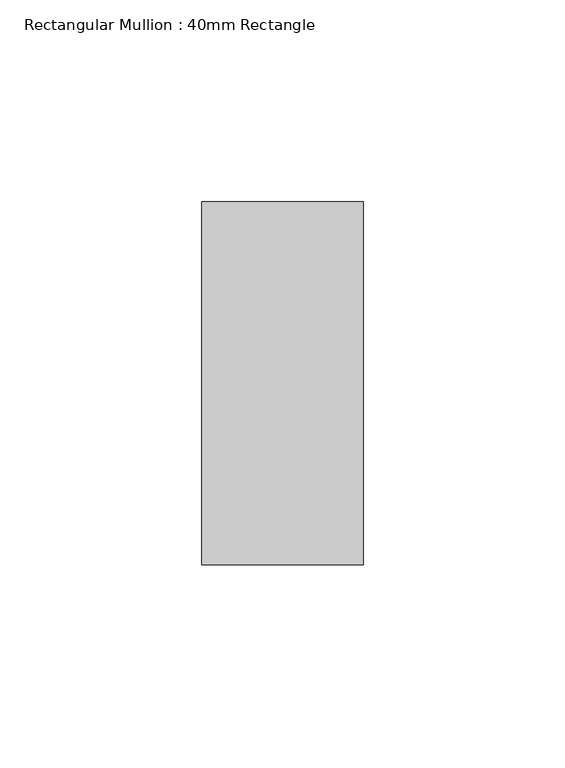
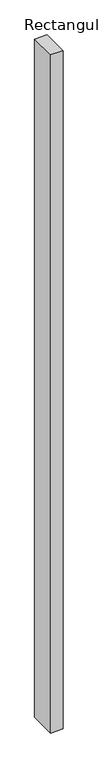
"""IFC4 building model written with IfcOpenShell, lengths in millimetres: member geometry, Rectangular Mullion : 40mm Rectangle."""

from ifc_helpers import new_model, si_unit, frame, origin, place, context, project, spatial, polyline, outline, extrude, source, transform, mapped, element, save


def rectangular_mullion_40mm_rectangle_ae8cb848(model_context):
    return source(origin(), model_context, "Body", "SweptSolid", [
        extrude(outline(polyline([(-20.0, 45.0), (20.0, 45.0), (20.0, -45.0), (-20.0, -45.0), (-20.0, 45.0)])), frame((0.0, 0.0, -2320.0), z_axis=(0.0, 0.0, 1.0), x_axis=(1.0, 0.0, 0.0)), (0.0, 0.0, 1.0), 2320.0),
    ])


if __name__ == "__main__":
    model = new_model("IFC4")
    model_context = context("Model", 3, world=origin())
    ifc_project = project(units=[si_unit("LENGTHUNIT", "METRE", prefix="MILLI")], contexts=[model_context])
    site = spatial("IfcSite", under=ifc_project)
    building = spatial("IfcBuilding", under=site)
    placement = place(None, origin())
    rectangular_mullion_40mm_rectangle_shape = rectangular_mullion_40mm_rectangle_ae8cb848(model_context)
    element("IfcMember", 1, ObjectType="Rectangular Mullion : 40mm Rectangle", at=placement, inside=building, context=model_context, shape_type="MappedRepresentation", body=[
        mapped(rectangular_mullion_40mm_rectangle_shape, transform((0.0, 0.0, 0.0), x_axis=(1.0, 0.0, 0.0), y_axis=(0.0, 1.0, 0.0), z_axis=(0.0, 0.0, 1.0))),
    ])
    save(model, "model.ifc")
